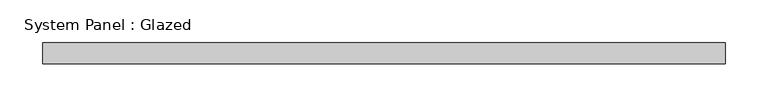
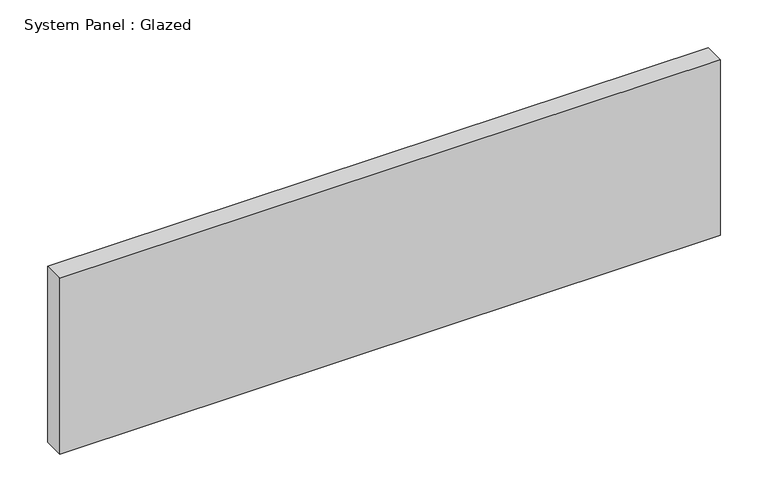
"""IFC4 building model written with IfcOpenShell, lengths in millimetres: plate geometry, System Panel : Glazed."""

from ifc_helpers import new_model, si_unit, origin, origin_with_axes, place, context, project, spatial, polyline, outline, extrude, source, transform, mapped, element, save


def system_panel_glazed_0d379db5(model_context):
    return source(origin(), model_context, "Body", "SweptSolid", [
        extrude(outline(polyline([(400.0, 24.5), (-400.0, 24.5), (-400.0, 49.5), (400.0, 49.5), (400.0, 24.5)])), origin_with_axes(), (0.0, 0.0, 1.0), 225.0),
    ])


if __name__ == "__main__":
    model = new_model("IFC4")
    model_context = context("Model", 3, world=origin())
    ifc_project = project(units=[si_unit("LENGTHUNIT", "METRE", prefix="MILLI")], contexts=[model_context])
    site = spatial("IfcSite", under=ifc_project)
    building = spatial("IfcBuilding", under=site)
    placement = place(None, origin())
    system_panel_glazed_shape = system_panel_glazed_0d379db5(model_context)
    element("IfcPlate", 1, ObjectType="System Panel : Glazed", at=placement, inside=building, context=model_context, shape_type="MappedRepresentation", body=[
        mapped(system_panel_glazed_shape, transform((0.0, 0.0, 0.0), x_axis=(1.0, 0.0, 0.0), y_axis=(0.0, 1.0, 0.0), z_axis=(0.0, 0.0, 1.0))),
    ])
    save(model, "model.ifc")
